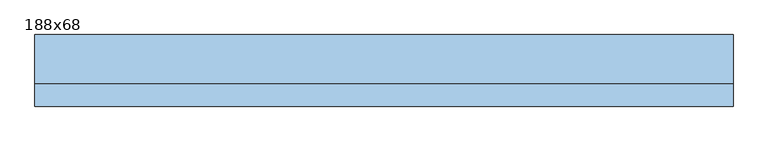
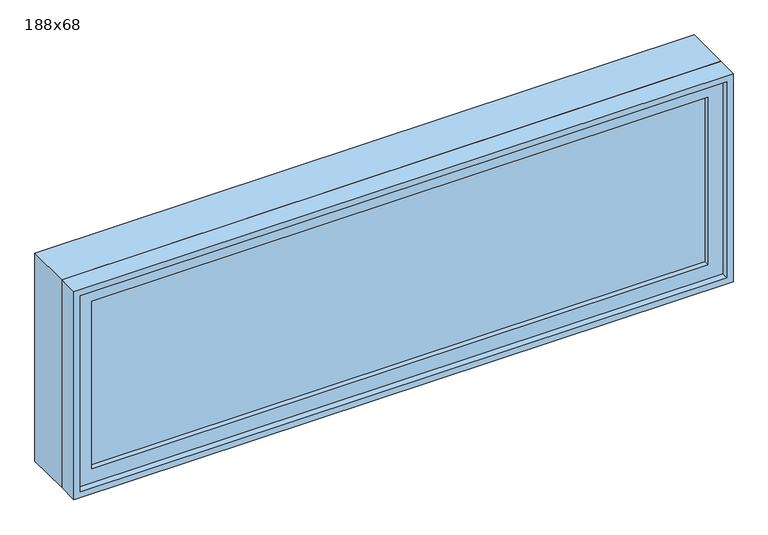
"""IFC4 building model written with IfcOpenShell, lengths in millimetres: window geometry, 188x68."""

from ifc_helpers import new_model, si_unit, frame, origin, place, context, project, spatial, polyline, outline, extrude, source, transform, mapped, element, save


def window_188x68_c4c06fe4(model_context):
    return source(origin(), model_context, "Body", "SweptSolid", [
        extrude(outline(polyline([(873.4, -52.375), (873.4, -65.075), (-949.6, -65.075), (-949.6, -52.375), (873.4, -52.375)])), frame((0.0, 0.0, 977.9), z_axis=(0.0, 0.0, 1.0), x_axis=(1.0, 0.0, 0.0)), (0.0, 0.0, 1.0), 523.0),
        extrude(outline(polyline([(1545.35, -994.05), (933.45, -994.05), (933.45, 917.85), (1545.35, 917.85), (1545.35, -994.05)]), holes=[polyline([(1500.9, -949.6), (1500.9, 873.4), (977.9, 873.4), (977.9, -949.6), (1500.9, -949.6)])]), frame((0.0, -80.95, 0.0), z_axis=(0.0, 1.0, 0.0), x_axis=(0.0, 0.0, 1.0)), (0.0, 0.0, 1.0), 44.45),
        extrude(outline(polyline([(1564.4, -1013.1), (914.4, -1013.1), (914.4, 936.9), (1564.4, 936.9), (1564.4, -1013.1)]), holes=[polyline([(1532.65, -981.35), (1532.65, 905.15), (946.15, 905.15), (946.15, -981.35), (1532.65, -981.35)])]), frame((0.0, -36.5, 0.0), z_axis=(0.0, 1.0, 0.0), x_axis=(0.0, 0.0, 1.0)), (0.0, 0.0, 1.0), 136.5),
        extrude(outline(polyline([(1564.4, 936.9), (1564.4, -1013.1), (914.4, -1013.1), (914.4, 936.9), (1564.4, 936.9)]), holes=[polyline([(1545.35, 917.85), (933.45, 917.85), (933.45, -994.05), (1545.35, -994.05), (1545.35, 917.85)])]), frame((0.0, -100.0, 0.0), z_axis=(0.0, 1.0, 0.0), x_axis=(0.0, 0.0, 1.0)), (0.0, 0.0, 1.0), 63.5),
    ])


if __name__ == "__main__":
    model = new_model("IFC4")
    model_context = context("Model", 3, world=origin())
    ifc_project = project(units=[si_unit("LENGTHUNIT", "METRE", prefix="MILLI")], contexts=[model_context])
    site = spatial("IfcSite", under=ifc_project)
    building = spatial("IfcBuilding", under=site)
    placement = place(None, origin())
    window_188x68_shape = window_188x68_c4c06fe4(model_context)
    element("IfcWindow", 1, ObjectType="188x68", at=placement, inside=building, context=model_context, shape_type="MappedRepresentation", body=[
        mapped(window_188x68_shape, transform((0.0, 0.0, 0.0), x_axis=(1.0, 0.0, 0.0), y_axis=(0.0, 1.0, 0.0), z_axis=(0.0, 0.0, 1.0))),
    ])
    save(model, "model.ifc")
